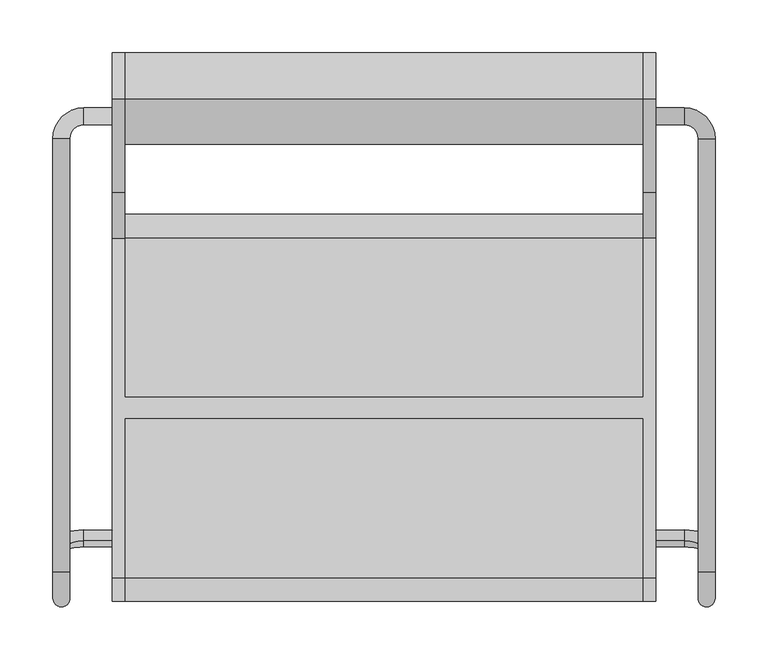
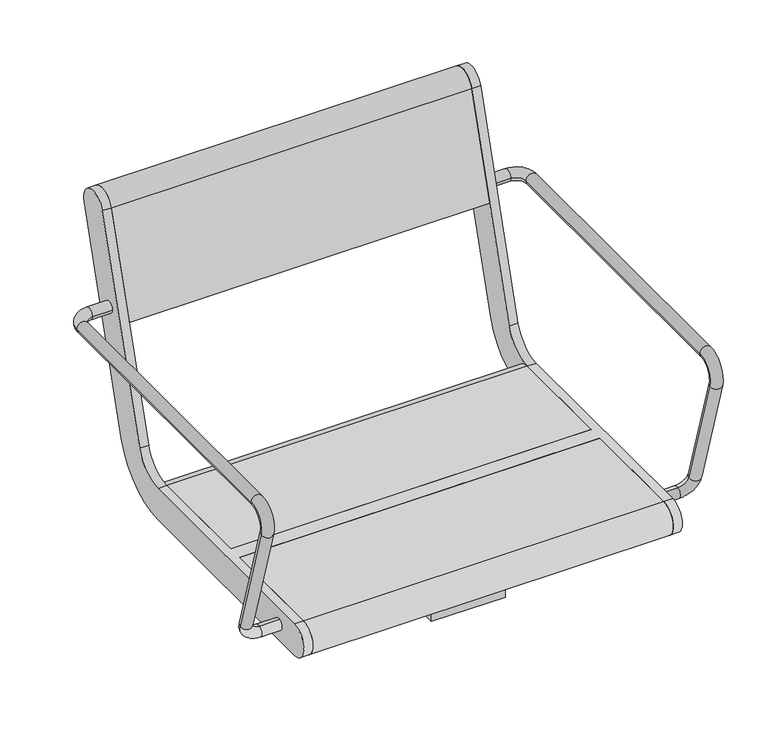
"""IFC4 building model written with IfcOpenShell, lengths in millimetres: furniture geometry."""

from ifc_helpers import new_model, si_unit, point, frame, frame_2d, origin, place, context, project, spatial, polyline, circle_curve, ellipse_curve, trimmed, segment, composite_curve, outline, extrude, source, transform, mapped, element, save
from ifc_brep_helpers import plane_surface, cylinder_surface, revolved_surface, advanced_brep


def furniture_ee979665(model_context):
    return source(origin(), model_context, "Body", "SolidModel", [
        advanced_brep(
        [(257.0, 267.0, 641.5), (257.0, 283.0, 641.5), (284.0, 267.0, 641.5), (284.0, 283.0, 641.5), (297.0, 254.0, 641.5), (313.0, 254.0, 641.5), (297.0, -155.6408049, 641.5), (313.0, -155.6408049, 641.5), (313.0, -179.5484238, 609.1907074), (297.0, -179.5484238, 609.1907074), (313.0, -130.1398058, 447.5823999), (297.0, -130.1398058, 447.5823999), (257.0, -126.3389736, 435.150438), (257.0, -121.6610264, 419.849562), (284.0, -121.6610264, 419.849562), (284.0, -126.3389736, 435.150438)],
        [
            (0, 1, circle_curve(frame((257.0, 275.0, 641.5), z_axis=(-1.0, 0.0, 0.0), x_axis=(0.0, 1.0, 0.0)), 8.0)),
            (1, 0, circle_curve(frame((257.0, 275.0, 641.5), z_axis=(-1.0, 0.0, 0.0), x_axis=(0.0, 1.0, 0.0)), 8.0)),
            (0, 2),
            (2, 3, circle_curve(frame((284.0, 275.0, 641.5), z_axis=(-1.0, 0.0, 0.0), x_axis=(0.0, 1.0, 0.0)), 8.0)),
            (3, 1),
            (3, 2, circle_curve(frame((284.0, 275.0, 641.5), z_axis=(-1.0, 0.0, 0.0), x_axis=(0.0, 1.0, 0.0)), 8.0)),
            (2, 4, circle_curve(frame((284.0, 254.0, 641.5), z_axis=(0.0, 0.0, -1.0), x_axis=(0.0, 1.0, 0.0)), 13.0)),
            (4, 5, circle_curve(frame((305.0, 254.0, 641.5), z_axis=(0.0, 1.0, 0.0), x_axis=(1.0, 0.0, 0.0)), 8.0)),
            (5, 3, circle_curve(frame((284.0, 254.0, 641.5), z_axis=(0.0, 0.0, 1.0), x_axis=(0.0, 1.0, 0.0)), 29.0)),
            (5, 4, circle_curve(frame((305.0, 254.0, 641.5), z_axis=(0.0, 1.0, 0.0), x_axis=(1.0, 0.0, 0.0)), 8.0)),
            (4, 6),
            (6, 7, circle_curve(frame((305.0, -155.6408049, 641.5), z_axis=(0.0, 1.0, 0.0), x_axis=(1.0, 0.0, 0.0)), 8.0)),
            (7, 5),
            (7, 6, circle_curve(frame((305.0, -155.6408049, 641.5), z_axis=(0.0, 1.0, 0.0), x_axis=(1.0, 0.0, 0.0)), 8.0)),
            (7, 8, circle_curve(frame((313.0, -155.6408049, 616.5), z_axis=(1.0, 0.0, 0.0), x_axis=(0.0, 0.0, 1.0)), 25.0)),
            (8, 9, circle_curve(frame((305.0, -179.5484238, 609.1907074), z_axis=(0.0, -0.2923717047227469, 0.9563047559630324), x_axis=(1.0, 0.0, 0.0)), 8.0)),
            (9, 6, circle_curve(frame((297.0, -155.6408049, 616.5), z_axis=(-1.0, 0.0, 0.0), x_axis=(0.0, 0.0, 1.0)), 25.0)),
            (9, 8, circle_curve(frame((305.0, -179.5484238, 609.1907074), z_axis=(0.0, -0.2923717047227456, 0.9563047559630328), x_axis=(1.0, 0.0, 0.0)), 8.0)),
            (8, 10),
            (10, 11, circle_curve(frame((305.0, -130.1398058, 447.5823999), z_axis=(0.0, -0.2923717047227381, 0.9563047559630351), x_axis=(1.0, 0.0, 0.0)), 8.0)),
            (11, 9),
            (11, 10, circle_curve(frame((305.0, -130.1398058, 447.5823999), z_axis=(0.0, -0.2923717047227381, 0.9563047559630351), x_axis=(1.0, 0.0, 0.0)), 8.0)),
            (12, 13, circle_curve(frame((257.0, -124.0, 427.5), z_axis=(-1.0, 0.0, 0.0), x_axis=(0.0, 0.2923717047227402, -0.9563047559630344)), 8.0)),
            (13, 12, circle_curve(frame((257.0, -124.0, 427.5), z_axis=(-1.0, 0.0, 0.0), x_axis=(0.0, 0.2923717047227402, -0.9563047559630344)), 8.0)),
            (13, 14),
            (14, 15, circle_curve(frame((284.0, -124.0, 427.5), z_axis=(-1.0, 0.0, 0.0), x_axis=(0.0, 0.2923717047227402, -0.9563047559630344)), 8.0)),
            (15, 12),
            (15, 14, circle_curve(frame((284.0, -124.0, 427.5), z_axis=(-1.0, 0.0, 0.0), x_axis=(0.0, 0.2923717047227402, -0.9563047559630344)), 8.0)),
            (14, 10, circle_curve(frame((284.0, -130.1398058, 447.5823999), z_axis=(0.0, -0.9563047559630344, -0.29237170472274027), x_axis=(0.0, 0.29237170472274027, -0.9563047559630344)), 29.0)),
            (11, 15, circle_curve(frame((284.0, -130.1398058, 447.5823999), z_axis=(0.0, 0.9563047559630344, 0.29237170472274027), x_axis=(0.0, 0.29237170472274027, -0.9563047559630344)), 13.0)),
        ],
        [
            plane_surface(frame((257.0, 275.0, 405.0), z_axis=(-1.0, 0.0, 0.0), x_axis=(0.0, 0.0, 1.0))),
            cylinder_surface(frame((257.0, 275.0, 641.5), z_axis=(-1.0, 0.0, 0.0), x_axis=(0.0, 1.0, 0.0)), 8.0),
            revolved_surface(trimmed(ellipse_curve(frame((284.0, 275.0, 641.5), z_axis=(-1.0, 0.0, 0.0), x_axis=(0.0, 1.0, 0.0)), 8.0, 8.0), [point((284.0, 267.0, 641.5))], [point((284.0, 283.0, 641.5))], True, "CARTESIAN"), (284.0, 254.0, 405.0), (0.0, 0.0, -1.0)),
            revolved_surface(trimmed(ellipse_curve(frame((284.0, 275.0, 641.5), z_axis=(-1.0, 0.0, 0.0), x_axis=(0.0, 1.0, 0.0)), 8.0, 8.0), [point((284.0, 283.0, 641.5))], [point((284.0, 267.0, 641.5))], True, "CARTESIAN"), (284.0, 254.0, 405.0), (0.0, 0.0, -1.0)),
            cylinder_surface(frame((305.0, 254.0, 641.5), z_axis=(0.0, 1.0, 0.0), x_axis=(1.0, 0.0, 0.0)), 8.0),
            revolved_surface(trimmed(ellipse_curve(frame((305.0, -155.6408049, 641.5), z_axis=(0.0, 1.0, 0.0), x_axis=(1.0, 0.0, 0.0)), 8.0, 8.0), [point((313.0, -155.6408049, 641.5))], [point((297.0, -155.6408049, 641.5))], True, "CARTESIAN"), (0.0, -155.6408049, 616.5), (1.0, 0.0, 0.0)),
            revolved_surface(trimmed(ellipse_curve(frame((305.0, -155.6408049, 641.5), z_axis=(0.0, 1.0, 0.0), x_axis=(1.0, 0.0, 0.0)), 8.0, 8.0), [point((297.0, -155.6408049, 641.5))], [point((313.0, -155.6408049, 641.5))], True, "CARTESIAN"), (0.0, -155.6408049, 616.5), (1.0, 0.0, 0.0)),
            cylinder_surface(frame((305.0, -179.5484238, 609.1907074), z_axis=(0.0, -0.2923717047227381, 0.9563047559630351), x_axis=(1.0, 0.0, 0.0)), 8.0),
            plane_surface(frame((257.0, 489.469501, 615.0564486), z_axis=(-1.0, 0.0, 0.0), x_axis=(0.0, -0.9563047559630344, -0.29237170472274027))),
            cylinder_surface(frame((257.0, -124.0, 427.5), z_axis=(-1.0, 0.0, 0.0), x_axis=(0.0, 0.2923717047227402, -0.9563047559630344)), 8.0),
            revolved_surface(trimmed(ellipse_curve(frame((284.0, -124.0, 427.5), z_axis=(-1.0, 0.0, 0.0), x_axis=(0.0, 0.2923717047227402, -0.9563047559630344)), 8.0, 8.0), [point((284.0, -121.6610264, 419.849562))], [point((284.0, -126.3389736, 435.150438))], True, "CARTESIAN"), (284.0, 483.3296952, 635.1388485), (0.0, -0.9563047559630344, -0.29237170472274027)),
            revolved_surface(trimmed(ellipse_curve(frame((284.0, -124.0, 427.5), z_axis=(-1.0, 0.0, 0.0), x_axis=(0.0, 0.2923717047227402, -0.9563047559630344)), 8.0, 8.0), [point((284.0, -126.3389736, 435.150438))], [point((284.0, -121.6610264, 419.849562))], True, "CARTESIAN"), (284.0, 483.3296952, 635.1388485), (0.0, -0.9563047559630344, -0.29237170472274027)),
        ],
        [
            (0, [[1, 2]]),
            (1, [[-1, 3, 4, 5]]),
            (1, [[-2, -5, 6, -3]]),
            (2, [[-4, 7, 8, 9]]),
            (3, [[-6, -9, 10, -7]]),
            (4, [[11, 12, 13, -8]]),
            (4, [[-11, -10, -13, 14]]),
            (5, [[-14, 15, 16, 17]]),
            (6, [[-12, -17, 18, -15]]),
            (7, [[-16, 19, 20, 21]]),
            (7, [[-18, -21, 22, -19]]),
            (8, [[23, 24]]),
            (9, [[-24, 25, 26, 27]]),
            (9, [[-23, -27, 28, -25]]),
            (10, [[-26, 29, -22, 30]]),
            (11, [[-28, -30, -20, -29]]),
        ],
    ),
        advanced_brep(
        [(-313.0, 254.0, 641.5), (-313.0, -155.6408049, 641.5), (-297.0, -155.6408049, 641.5), (-297.0, 254.0, 641.5), (-257.0, 267.0, 641.5), (-257.0, 283.0, 641.5), (-284.0, 283.0, 641.5), (-284.0, 267.0, 641.5), (-297.0, -179.5484238, 609.1907074), (-313.0, -179.5484238, 609.1907074), (-297.0, -130.1398058, 447.5823999), (-313.0, -130.1398058, 447.5823999), (-257.0, -126.3389736, 435.150438), (-257.0, -121.6610264, 419.849562), (-284.0, -126.3389736, 435.150438), (-284.0, -121.6610264, 419.849562)],
        [
            (0, 1),
            (1, 2, circle_curve(frame((-305.0, -155.6408049, 641.5), z_axis=(0.0, 1.0, 0.0), x_axis=(-1.0, 0.0, 0.0)), 8.0)),
            (2, 3),
            (3, 0, circle_curve(frame((-305.0, 254.0, 641.5), z_axis=(0.0, -1.0, 0.0), x_axis=(-1.0, 0.0, 0.0)), 8.0)),
            (0, 3, circle_curve(frame((-305.0, 254.0, 641.5), z_axis=(0.0, -1.0, 0.0), x_axis=(-1.0, 0.0, 0.0)), 8.0)),
            (2, 1, circle_curve(frame((-305.0, -155.6408049, 641.5), z_axis=(0.0, 1.0, 0.0), x_axis=(-1.0, 0.0, 0.0)), 8.0)),
            (4, 5, circle_curve(frame((-257.0, 275.0, 641.5), z_axis=(1.0, 0.0, 0.0), x_axis=(0.0, 1.0, 0.0)), 8.0)),
            (5, 4, circle_curve(frame((-257.0, 275.0, 641.5), z_axis=(1.0, 0.0, 0.0), x_axis=(0.0, 1.0, 0.0)), 8.0)),
            (5, 6),
            (6, 7, circle_curve(frame((-284.0, 275.0, 641.5), z_axis=(1.0, 0.0, 0.0), x_axis=(0.0, 1.0, 0.0)), 8.0)),
            (7, 4),
            (7, 6, circle_curve(frame((-284.0, 275.0, 641.5), z_axis=(1.0, 0.0, 0.0), x_axis=(0.0, 1.0, 0.0)), 8.0)),
            (6, 0, circle_curve(frame((-284.0, 254.0, 641.5), z_axis=(0.0, 0.0, 1.0), x_axis=(0.0, 1.0, 0.0)), 29.0)),
            (3, 7, circle_curve(frame((-284.0, 254.0, 641.5), z_axis=(0.0, 0.0, -1.0), x_axis=(0.0, 1.0, 0.0)), 13.0)),
            (2, 8, circle_curve(frame((-297.0, -155.6408049, 616.5), z_axis=(1.0, 0.0, 0.0), x_axis=(0.0, 0.0, 1.0)), 25.0)),
            (8, 9, circle_curve(frame((-305.0, -179.5484238, 609.1907074), z_axis=(0.0, -0.29237170472274643, 0.9563047559630325), x_axis=(-1.0, 0.0, 0.0)), 8.0)),
            (9, 1, circle_curve(frame((-313.0, -155.6408049, 616.5), z_axis=(-1.0, 0.0, 0.0), x_axis=(0.0, 0.0, 1.0)), 25.0)),
            (9, 8, circle_curve(frame((-305.0, -179.5484238, 609.1907074), z_axis=(0.0, -0.29237170472274643, 0.9563047559630325), x_axis=(-1.0, 0.0, 0.0)), 8.0)),
            (8, 10),
            (10, 11, circle_curve(frame((-305.0, -130.1398058, 447.5823999), z_axis=(0.0, -0.2923717047227381, 0.9563047559630351), x_axis=(-1.0, 0.0, 0.0)), 8.0)),
            (11, 9),
            (11, 10, circle_curve(frame((-305.0, -130.1398058, 447.5823999), z_axis=(0.0, -0.2923717047227381, 0.9563047559630351), x_axis=(-1.0, 0.0, 0.0)), 8.0)),
            (12, 13, circle_curve(frame((-257.0, -124.0, 427.5), z_axis=(1.0, 0.0, 0.0), x_axis=(0.0, 0.2923717047227402, -0.9563047559630344)), 8.0)),
            (13, 12, circle_curve(frame((-257.0, -124.0, 427.5), z_axis=(1.0, 0.0, 0.0), x_axis=(0.0, 0.2923717047227402, -0.9563047559630344)), 8.0)),
            (12, 14),
            (14, 15, circle_curve(frame((-284.0, -124.0, 427.5), z_axis=(1.0, 0.0, 0.0), x_axis=(0.0, 0.2923717047227402, -0.9563047559630344)), 8.0)),
            (15, 13),
            (15, 14, circle_curve(frame((-284.0, -124.0, 427.5), z_axis=(1.0, 0.0, 0.0), x_axis=(0.0, 0.2923717047227402, -0.9563047559630344)), 8.0)),
            (14, 10, circle_curve(frame((-284.0, -130.1398058, 447.5823999), z_axis=(0.0, 0.9563047559630344, 0.29237170472274027), x_axis=(0.0, 0.29237170472274027, -0.9563047559630344)), 13.0)),
            (11, 15, circle_curve(frame((-284.0, -130.1398058, 447.5823999), z_axis=(0.0, -0.9563047559630344, -0.29237170472274027), x_axis=(0.0, 0.29237170472274027, -0.9563047559630344)), 29.0)),
        ],
        [
            cylinder_surface(frame((-305.0, 254.0, 641.5), z_axis=(0.0, 1.0, 0.0), x_axis=(-1.0, 0.0, 0.0)), 8.0),
            plane_surface(frame((-257.0, 275.0, 405.0), z_axis=(1.0, 0.0, 0.0), x_axis=(0.0, 0.0, 1.0))),
            cylinder_surface(frame((-257.0, 275.0, 641.5), z_axis=(1.0, 0.0, 0.0), x_axis=(0.0, 1.0, 0.0)), 8.0),
            revolved_surface(trimmed(ellipse_curve(frame((-284.0, 275.0, 641.5), z_axis=(1.0, 0.0, 0.0), x_axis=(0.0, 1.0, 0.0)), 8.0, 8.0), [point((-284.0, 283.0, 641.5))], [point((-284.0, 267.0, 641.5))], True, "CARTESIAN"), (-284.0, 254.0, 405.0), (0.0, 0.0, 1.0)),
            revolved_surface(trimmed(ellipse_curve(frame((-284.0, 275.0, 641.5), z_axis=(1.0, 0.0, 0.0), x_axis=(0.0, 1.0, 0.0)), 8.0, 8.0), [point((-284.0, 267.0, 641.5))], [point((-284.0, 283.0, 641.5))], True, "CARTESIAN"), (-284.0, 254.0, 405.0), (0.0, 0.0, 1.0)),
            revolved_surface(trimmed(ellipse_curve(frame((-305.0, -155.6408049, 641.5), z_axis=(0.0, 1.0, 0.0), x_axis=(-1.0, 0.0, 0.0)), 8.0, 8.0), [point((-297.0, -155.6408049, 641.5))], [point((-313.0, -155.6408049, 641.5))], True, "CARTESIAN"), (0.0, -155.6408049, 616.5), (1.0, 0.0, 0.0)),
            revolved_surface(trimmed(ellipse_curve(frame((-305.0, -155.6408049, 641.5), z_axis=(0.0, 1.0, 0.0), x_axis=(-1.0, 0.0, 0.0)), 8.0, 8.0), [point((-313.0, -155.6408049, 641.5))], [point((-297.0, -155.6408049, 641.5))], True, "CARTESIAN"), (0.0, -155.6408049, 616.5), (1.0, 0.0, 0.0)),
            cylinder_surface(frame((-305.0, -179.5484238, 609.1907074), z_axis=(0.0, -0.2923717047227381, 0.9563047559630351), x_axis=(-1.0, 0.0, 0.0)), 8.0),
            plane_surface(frame((-257.0, 489.469501, 615.0564486), z_axis=(1.0, 0.0, 0.0), x_axis=(0.0, -0.9563047559630344, -0.29237170472274027))),
            cylinder_surface(frame((-257.0, -124.0, 427.5), z_axis=(1.0, 0.0, 0.0), x_axis=(0.0, 0.2923717047227402, -0.9563047559630344)), 8.0),
            revolved_surface(trimmed(ellipse_curve(frame((-284.0, -124.0, 427.5), z_axis=(1.0, 0.0, 0.0), x_axis=(0.0, 0.2923717047227402, -0.9563047559630344)), 8.0, 8.0), [point((-284.0, -126.3389736, 435.150438))], [point((-284.0, -121.6610264, 419.849562))], True, "CARTESIAN"), (-284.0, 483.3296952, 635.1388485), (0.0, 0.9563047559630344, 0.29237170472274027)),
            revolved_surface(trimmed(ellipse_curve(frame((-284.0, -124.0, 427.5), z_axis=(1.0, 0.0, 0.0), x_axis=(0.0, 0.2923717047227402, -0.9563047559630344)), 8.0, 8.0), [point((-284.0, -121.6610264, 419.849562))], [point((-284.0, -126.3389736, 435.150438))], True, "CARTESIAN"), (-284.0, 483.3296952, 635.1388485), (0.0, 0.9563047559630344, 0.29237170472274027)),
        ],
        [
            (0, [[1, 2, 3, 4]]),
            (0, [[-1, 5, -3, 6]]),
            (1, [[7, 8]]),
            (2, [[-8, 9, 10, 11]]),
            (2, [[-7, -11, 12, -9]]),
            (3, [[-10, 13, -4, 14]]),
            (4, [[-12, -14, -5, -13]]),
            (5, [[-6, 15, 16, 17]]),
            (6, [[-2, -17, 18, -15]]),
            (7, [[-16, 19, 20, 21]]),
            (7, [[-18, -21, 22, -19]]),
            (8, [[23, 24]]),
            (9, [[-23, 25, 26, 27]]),
            (9, [[-24, -27, 28, -25]]),
            (10, [[-26, 29, -22, 30]]),
            (11, [[-28, -30, -20, -29]]),
        ],
    ),
        advanced_brep(
        [(-245.0, 291.0375971, 769.6910048), (-245.0, 203.033714, 481.8432733), (-245.0, 160.0, 450.0), (-245.0, 9.5, 450.0), (-245.0, 9.5, 405.0), (-245.0, 160.0, 405.0), (-245.0, 246.067428, 468.6865466), (-245.0, 334.0713112, 756.5342781), (-245.0, -161.0, 450.0), (-245.0, -161.0, 405.0), (-245.0, -10.5, 405.0), (-245.0, -10.5, 450.0), (-257.0, 291.0375971, 769.6910048), (-257.0, 334.0713112, 756.5342781), (-257.0, 246.067428, 468.6865466), (-257.0, 160.0, 405.0), (-257.0, -161.0, 405.0), (-257.0, -161.0, 450.0), (-257.0, 160.0, 450.0), (-257.0, 203.033714, 481.8432733), (245.0, -10.5, 450.0), (245.0, -161.0, 450.0), (257.0, -161.0, 450.0), (257.0, 160.0, 450.0), (245.0, 160.0, 450.0), (245.0, 9.5, 450.0), (245.0, 9.5, 405.0), (245.0, 160.0, 405.0), (257.0, 160.0, 405.0), (257.0, -161.0, 405.0), (245.0, -161.0, 405.0), (245.0, -10.5, 405.0), (257.0, 291.0375971, 769.6910048), (257.0, 203.033714, 481.8432733), (257.0, 246.067428, 468.6865466), (257.0, 334.0713112, 756.5342781), (245.0, 291.0375971, 769.6910048), (245.0, 334.0713112, 756.5342781), (245.0, 246.067428, 468.6865466), (245.0, 203.033714, 481.8432733)],
        [
            (0, 1),
            (1, 2, circle_curve(frame((-245.0, 160.0, 495.0), z_axis=(-1.0, 0.0, 0.0), x_axis=(0.0, -1.0, 0.0)), 45.0)),
            (2, 3),
            (3, 4),
            (4, 5),
            (5, 6, circle_curve(frame((-245.0, 160.0, 495.0), z_axis=(1.0, 0.0, 0.0), x_axis=(0.0, -1.0, 0.0)), 90.0)),
            (6, 7),
            (7, 0, circle_curve(frame((-245.0, 312.5544541, 763.1126415), z_axis=(1.0, 0.0, 0.0), x_axis=(0.0, -1.0, 0.0)), 22.5)),
            (8, 9, circle_curve(frame((-245.0, -161.0, 427.5), z_axis=(1.0, 0.0, 0.0), x_axis=(0.0, -1.0, 0.0)), 22.5)),
            (9, 10),
            (10, 11),
            (11, 8),
            (12, 13, circle_curve(frame((-257.0, 312.5544541, 763.1126415), z_axis=(-1.0, 0.0, 0.0), x_axis=(0.0, -1.0, 0.0)), 22.5)),
            (13, 14),
            (14, 15, circle_curve(frame((-257.0, 160.0, 495.0), z_axis=(-1.0, 0.0, 0.0), x_axis=(0.0, -1.0, 0.0)), 90.0)),
            (15, 16),
            (16, 17, circle_curve(frame((-257.0, -161.0, 427.5), z_axis=(-1.0, 0.0, 0.0), x_axis=(0.0, -1.0, 0.0)), 22.5)),
            (17, 18),
            (18, 19, circle_curve(frame((-257.0, 160.0, 495.0), z_axis=(1.0, 0.0, 0.0), x_axis=(0.0, -1.0, 0.0)), 45.0)),
            (19, 12),
            (0, 12),
            (19, 1),
            (18, 2),
            (17, 8),
            (11, 20),
            (20, 21),
            (21, 22),
            (22, 23),
            (23, 24),
            (24, 25),
            (25, 3),
            (15, 5),
            (4, 26),
            (26, 27),
            (27, 28),
            (28, 29),
            (29, 30),
            (30, 31),
            (31, 10),
            (9, 16),
            (14, 6),
            (13, 7),
            (31, 20),
            (25, 26),
            (32, 33),
            (33, 23, circle_curve(frame((257.0, 160.0, 495.0), z_axis=(-1.0, 0.0, 0.0), x_axis=(0.0, -1.0, 0.0)), 45.0)),
            (22, 29, circle_curve(frame((257.0, -161.0, 427.5), z_axis=(1.0, 0.0, 0.0), x_axis=(0.0, -1.0, 0.0)), 22.5)),
            (28, 34, circle_curve(frame((257.0, 160.0, 495.0), z_axis=(1.0, 0.0, 0.0), x_axis=(0.0, -1.0, 0.0)), 90.0)),
            (34, 35),
            (35, 32, circle_curve(frame((257.0, 312.5544541, 763.1126415), z_axis=(1.0, 0.0, 0.0), x_axis=(0.0, -1.0, 0.0)), 22.5)),
            (36, 37, circle_curve(frame((245.0, 312.5544541, 763.1126415), z_axis=(-1.0, 0.0, 0.0), x_axis=(0.0, -1.0, 0.0)), 22.5)),
            (37, 38),
            (38, 27, circle_curve(frame((245.0, 160.0, 495.0), z_axis=(-1.0, 0.0, 0.0), x_axis=(0.0, -1.0, 0.0)), 90.0)),
            (24, 39, circle_curve(frame((245.0, 160.0, 495.0), z_axis=(1.0, 0.0, 0.0), x_axis=(0.0, -1.0, 0.0)), 45.0)),
            (39, 36),
            (30, 21, circle_curve(frame((245.0, -161.0, 427.5), z_axis=(-1.0, 0.0, 0.0), x_axis=(0.0, -1.0, 0.0)), 22.5)),
            (32, 36),
            (39, 33),
            (38, 34),
            (37, 35),
        ],
        [
            plane_surface(frame((-245.0, 203.033714, 481.8432733), z_axis=(1.0000000000000002, 0.0, 0.0), x_axis=(0.0, -0.29237170472273394, -0.9563047559630364))),
            plane_surface(frame((-257.0, 203.033714, 481.8432733), z_axis=(-1.0000000000000002, 0.0, 0.0), x_axis=(0.0, 0.29237170472273394, 0.9563047559630364))),
            plane_surface(frame((-245.0, 291.0375971, 769.6910048), z_axis=(0.0, -0.9563047559630364, 0.29237170472273394), x_axis=(-1.0, 0.0, 0.0))),
            revolved_surface(polyline([(-257.0, 115.0, 495.0), (-245.0, 115.0, 495.0)]), (-257.0, 160.0, 495.0), (-1.0, 0.0, 0.0)),
            plane_surface(frame((-245.0, 160.0, 450.0), z_axis=(0.0, 0.0, 1.0), x_axis=(-1.0, 0.0, 0.0))),
            plane_surface(frame((-245.0, -161.0, 405.0), z_axis=(0.0, 0.0, -1.0), x_axis=(-1.0, 0.0, 0.0))),
            cylinder_surface(frame((-257.0, 160.0, 495.0), z_axis=(1.0, 0.0, 0.0), x_axis=(0.0, -1.0, 0.0)), 90.0),
            plane_surface(frame((-245.0, 246.067428, 468.6865466), z_axis=(0.0, 0.9563047559630364, -0.29237170472273366), x_axis=(-1.0, 0.0, 0.0))),
            cylinder_surface(frame((-257.0, 312.5544541, 763.1126415), z_axis=(1.0, 0.0, 0.0), x_axis=(0.0, -1.0, 0.0)), 22.5),
            cylinder_surface(frame((-257.0, -161.0, 427.5), z_axis=(1.0, 0.0, 0.0), x_axis=(0.0, -1.0, 0.0)), 22.5),
            plane_surface(frame((245.0, -10.5, 450.0), z_axis=(0.0, -1.0, 0.0), x_axis=(-1.0, 0.0, 0.0))),
            plane_surface(frame((245.0, 9.5, 405.0), z_axis=(0.0, 1.0, 0.0), x_axis=(-1.0, 0.0, 0.0))),
            plane_surface(frame((257.0, 203.033714, 481.8432733), z_axis=(1.0000000000000002, 0.0, 0.0), x_axis=(0.0, -0.29237170472273394, -0.9563047559630364))),
            plane_surface(frame((245.0, 203.033714, 481.8432733), z_axis=(-1.0000000000000002, 0.0, 0.0), x_axis=(0.0, 0.29237170472273394, 0.9563047559630364))),
            plane_surface(frame((257.0, 291.0375971, 769.6910048), z_axis=(0.0, -0.9563047559630364, 0.29237170472273394), x_axis=(-1.0, 0.0, 0.0))),
            revolved_surface(polyline([(245.0, 115.0, 495.0), (257.0, 115.0, 495.0)]), (245.0, 160.0, 495.0), (-1.0, 0.0, 0.0)),
            cylinder_surface(frame((245.0, 160.0, 495.0), z_axis=(1.0, 0.0, 0.0), x_axis=(0.0, -1.0, 0.0)), 90.0),
            plane_surface(frame((257.0, 246.067428, 468.6865466), z_axis=(0.0, 0.9563047559630364, -0.29237170472273366), x_axis=(-1.0, 0.0, 0.0))),
            cylinder_surface(frame((245.0, 312.5544541, 763.1126415), z_axis=(1.0, 0.0, 0.0), x_axis=(0.0, -1.0, 0.0)), 22.5),
            cylinder_surface(frame((245.0, -161.0, 427.5), z_axis=(1.0, 0.0, 0.0), x_axis=(0.0, -1.0, 0.0)), 22.5),
        ],
        [
            (0, [[1, 2, 3, 4, 5, 6, 7, 8]]),
            (0, [[9, 10, 11, 12]]),
            (1, [[13, 14, 15, 16, 17, 18, 19, 20]]),
            (2, [[-1, 21, -20, 22]]),
            (3, [[-2, -22, -19, 23]]),
            (4, [[-18, 24, -12, 25, 26, 27, 28, 29, 30, 31, -3, -23]]),
            (5, [[-16, 32, -5, 33, 34, 35, 36, 37, 38, 39, -10, 40]]),
            (6, [[-6, -32, -15, 41]]),
            (7, [[-7, -41, -14, 42]]),
            (8, [[-8, -42, -13, -21]]),
            (9, [[-9, -24, -17, -40]]),
            (10, [[-25, -11, -39, 43]]),
            (11, [[-31, 44, -33, -4]]),
            (12, [[45, 46, -28, 47, -36, 48, 49, 50]]),
            (13, [[51, 52, 53, -34, -44, -30, 54, 55]]),
            (13, [[56, -26, -43, -38]]),
            (14, [[-45, 57, -55, 58]]),
            (15, [[-46, -58, -54, -29]]),
            (16, [[-48, -35, -53, 59]]),
            (17, [[-49, -59, -52, 60]]),
            (18, [[-50, -60, -51, -57]]),
            (19, [[-47, -27, -56, -37]]),
        ],
    ),
        extrude(outline(composite_curve([segment(trimmed(circle_curve(frame_2d((312.5544541, 763.1126415)), 22.5), [point((291.0375971, 769.6910048))], [point((334.0713112, 756.5342781))], False, "CARTESIAN"), True, "CONTINUOUS"), segment(polyline([(334.0713112, 756.5342781), (291.5312281, 617.3919361), (248.4975141, 630.5486628), (291.0375971, 769.6910048)]), True, "CONTINUOUS")], self_intersect=False)), frame((-245.0, 0.0, 0.0), z_axis=(1.0, 0.0, 0.0), x_axis=(0.0, 1.0, 0.0)), (0.0, 0.0, 1.0), 490.0),
        extrude(outline(composite_curve([segment(polyline([(9.5, 405.0), (9.5, 450.0), (160.0, 450.0)]), True, "CONTINUOUS"), segment(trimmed(circle_curve(frame_2d((160.0, 427.5)), 22.5), [point((160.0, 450.0))], [point((160.0, 405.0))], False, "CARTESIAN"), True, "CONTINUOUS"), segment(polyline([(160.0, 405.0), (9.5, 405.0)]), True, "CONTINUOUS")], self_intersect=False)), frame((-245.0, 0.0, 0.0), z_axis=(1.0, 0.0, 0.0), x_axis=(0.0, 1.0, 0.0)), (0.0, 0.0, 1.0), 490.0),
        extrude(outline(composite_curve([segment(polyline([(-10.5, 405.0), (-161.0, 405.0)]), True, "CONTINUOUS"), segment(trimmed(circle_curve(frame_2d((-161.0, 427.5)), 22.5), [point((-161.0, 405.0))], [point((-161.0, 450.0))], False, "CARTESIAN"), True, "CONTINUOUS"), segment(polyline([(-161.0, 450.0), (-10.5, 450.0), (-10.5, 405.0)]), True, "CONTINUOUS")], self_intersect=False)), frame((-245.0, 0.0, 0.0), z_axis=(1.0, 0.0, 0.0), x_axis=(0.0, 1.0, 0.0)), (0.0, 0.0, 1.0), 490.0),
        extrude(outline(polyline([(125.0, 359.0), (-125.0, 359.0), (-125.0, 405.0), (125.0, 405.0), (125.0, 359.0)]), holes=[polyline([(-117.202041, 397.0), (-117.202041, 367.0), (117.202041, 367.0), (117.202041, 397.0), (-117.202041, 397.0)])]), frame((-50.0, 0.0, 0.0), z_axis=(1.0, 0.0, 0.0), x_axis=(0.0, 1.0, 0.0)), (0.0, 0.0, 1.0), 100.0),
    ])


if __name__ == "__main__":
    model = new_model("IFC4")
    model_context = context("Model", 3, world=origin())
    ifc_project = project(units=[si_unit("LENGTHUNIT", "METRE", prefix="MILLI")], contexts=[model_context])
    site = spatial("IfcSite", under=ifc_project)
    building = spatial("IfcBuilding", under=site)
    placement = place(None, origin())
    furniture_shape = furniture_ee979665(model_context)
    element("IfcFurniture", 1, at=placement, inside=building, context=model_context, shape_type="MappedRepresentation", body=[
        mapped(furniture_shape, transform((0.0, 0.0, 0.0), x_axis=(1.0, 0.0, 0.0), y_axis=(0.0, 1.0, 0.0), z_axis=(0.0, 0.0, 1.0))),
    ])
    save(model, "model.ifc")
